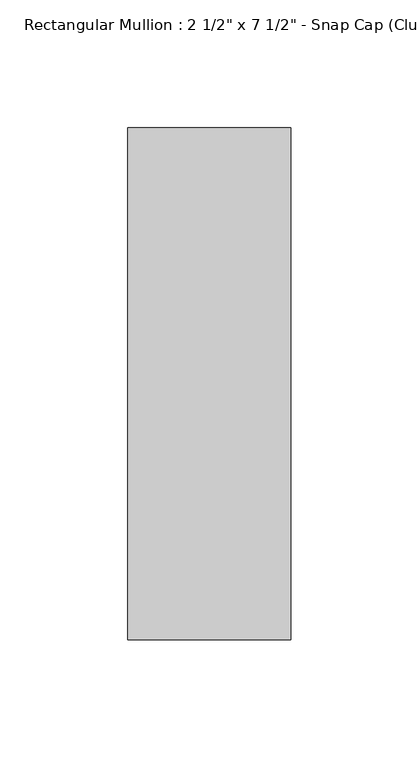
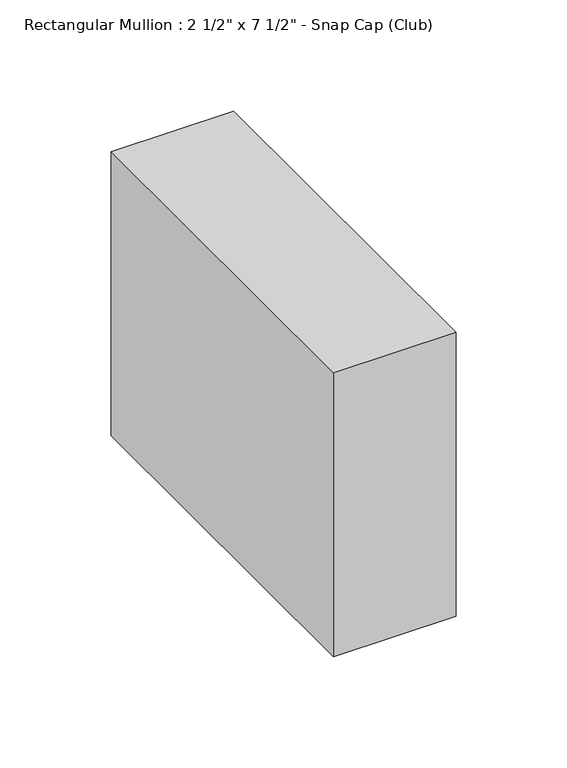
"""IFC4 building model written with IfcOpenShell, lengths in millimetres: member geometry."""

from ifc_helpers import new_model, si_unit, frame, origin, place, context, project, spatial, polyline, outline, extrude, source, transform, mapped, element, save


def member_e1d60663(model_context):
    return source(origin(), model_context, "Body", "SweptSolid", [
        extrude(outline(polyline([(0.0, 25.8), (0.0, -174.2), (-63.5, -174.2), (-63.5, 25.8), (0.0, 25.8)])), frame((0.0, 0.0, -155.8336393), z_axis=(0.0, 0.0, 1.0), x_axis=(1.0, 0.0, 0.0)), (0.0, 0.0, 1.0), 155.8336393),
    ])


if __name__ == "__main__":
    model = new_model("IFC4")
    model_context = context("Model", 3, world=origin())
    ifc_project = project(units=[si_unit("LENGTHUNIT", "METRE", prefix="MILLI")], contexts=[model_context])
    site = spatial("IfcSite", under=ifc_project)
    building = spatial("IfcBuilding", under=site)
    placement = place(None, origin())
    member_shape = member_e1d60663(model_context)
    element("IfcMember", 1, ObjectType="Rectangular Mullion : 2 1/2\" x 7 1/2\" - Snap Cap (Club)", at=placement, inside=building, context=model_context, shape_type="MappedRepresentation", body=[
        mapped(member_shape, transform((0.0, 0.0, 0.0), x_axis=(1.0, 0.0, 0.0), y_axis=(0.0, 1.0, 0.0), z_axis=(0.0, 0.0, 1.0))),
    ])
    save(model, "model.ifc")
